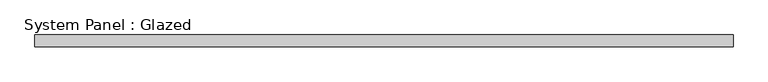
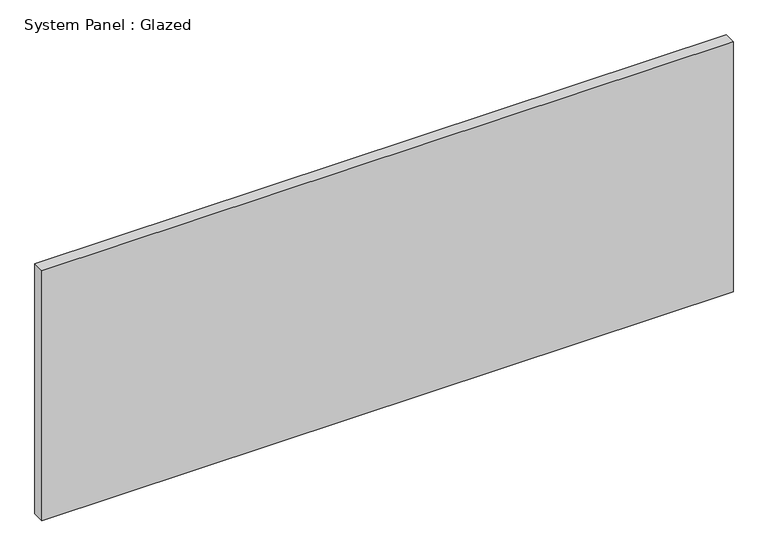
"""IFC4 building model written with IfcOpenShell, lengths in millimetres: plate geometry, System Panel : Glazed."""

from ifc_helpers import new_model, si_unit, origin, origin_with_axes, place, context, project, spatial, polyline, outline, extrude, source, transform, mapped, element, save


def system_panel_glazed_85ae06e2(model_context):
    return source(origin(), model_context, "Body", "SweptSolid", [
        extrude(outline(polyline([(731.7501169, 24.5), (-731.7501169, 24.5), (-731.7501169, 49.5), (731.7501169, 49.5), (731.7501169, 24.5)])), origin_with_axes(), (0.0, 0.0, 1.0), 559.6),
    ])


if __name__ == "__main__":
    model = new_model("IFC4")
    model_context = context("Model", 3, world=origin())
    ifc_project = project(units=[si_unit("LENGTHUNIT", "METRE", prefix="MILLI")], contexts=[model_context])
    site = spatial("IfcSite", under=ifc_project)
    building = spatial("IfcBuilding", under=site)
    placement = place(None, origin())
    system_panel_glazed_shape = system_panel_glazed_85ae06e2(model_context)
    element("IfcPlate", 1, ObjectType="System Panel : Glazed", at=placement, inside=building, context=model_context, shape_type="MappedRepresentation", body=[
        mapped(system_panel_glazed_shape, transform((0.0, 0.0, 0.0), x_axis=(1.0, 0.0, 0.0), y_axis=(0.0, 1.0, 0.0), z_axis=(0.0, 0.0, 1.0))),
    ])
    save(model, "model.ifc")
